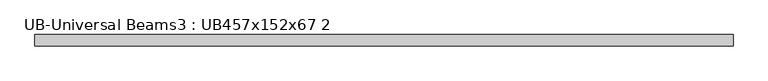
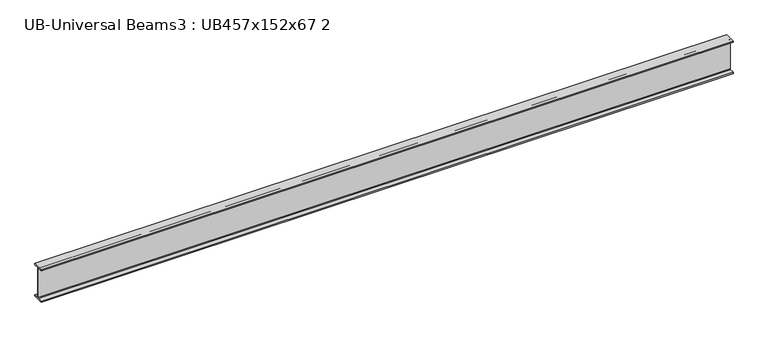
"""IFC4 building model written with IfcOpenShell, lengths in millimetres: beam geometry, UB-Universal Beams3 : UB457x152x67 2."""

from ifc_helpers import new_model, si_unit, point, frame, frame_2d, origin, place, context, project, spatial, polyline, circle_curve, trimmed, segment, composite_curve, outline, extrude, source, transform, mapped, element, save


def ub_universal_beams3_ub457x152x67_2_e13e09b8(model_context):
    return source(origin(), model_context, "Body", "SweptSolid", [
        extrude(outline(composite_curve([segment(polyline([(75.95, -213.6), (75.95, -228.6), (-75.95, -228.6), (-75.95, -213.6), (-14.75, -213.6)]), True, "CONTINUOUS"), segment(trimmed(circle_curve(frame_2d((-14.75, -203.4)), 10.2), [point((-14.75, -213.6))], [point((-4.55, -203.4))], True, "CARTESIAN"), True, "CONTINUOUS"), segment(polyline([(-4.55, -203.4), (-4.55, 203.4)]), True, "CONTINUOUS"), segment(trimmed(circle_curve(frame_2d((-14.75, 203.4)), 10.2), [point((-4.55, 203.4))], [point((-14.75, 213.6))], True, "CARTESIAN"), True, "CONTINUOUS"), segment(polyline([(-14.75, 213.6), (-75.95, 213.6), (-75.95, 228.6), (75.95, 228.6), (75.95, 213.6), (14.75, 213.6)]), True, "CONTINUOUS"), segment(trimmed(circle_curve(frame_2d((14.75, 203.4)), 10.2), [point((14.75, 213.6))], [point((4.55, 203.4))], True, "CARTESIAN"), True, "CONTINUOUS"), segment(polyline([(4.55, 203.4), (4.55, -203.4)]), True, "CONTINUOUS"), segment(trimmed(circle_curve(frame_2d((14.75, -203.4)), 10.2), [point((4.55, -203.4))], [point((14.75, -213.6))], True, "CARTESIAN"), True, "CONTINUOUS"), segment(polyline([(14.75, -213.6), (75.95, -213.6)]), True, "CONTINUOUS")], self_intersect=False)), frame((-4700.0, 0.0, 0.0), z_axis=(1.0, 0.0, 0.0), x_axis=(0.0, 1.0, 0.0)), (0.0, 0.0, 1.0), 9303.15),
    ])


if __name__ == "__main__":
    model = new_model("IFC4")
    model_context = context("Model", 3, world=origin())
    ifc_project = project(units=[si_unit("LENGTHUNIT", "METRE", prefix="MILLI")], contexts=[model_context])
    site = spatial("IfcSite", under=ifc_project)
    building = spatial("IfcBuilding", under=site)
    placement = place(None, origin())
    ub_universal_beams3_ub457x152x67_2_shape = ub_universal_beams3_ub457x152x67_2_e13e09b8(model_context)
    element("IfcBeam", 1, ObjectType="UB-Universal Beams3 : UB457x152x67 2", at=placement, inside=building, context=model_context, shape_type="MappedRepresentation", body=[
        mapped(ub_universal_beams3_ub457x152x67_2_shape, transform((0.0, 0.0, 0.0), x_axis=(1.0, 0.0, 0.0), y_axis=(0.0, 1.0, 0.0), z_axis=(0.0, 0.0, 1.0))),
    ])
    save(model, "model.ifc")
